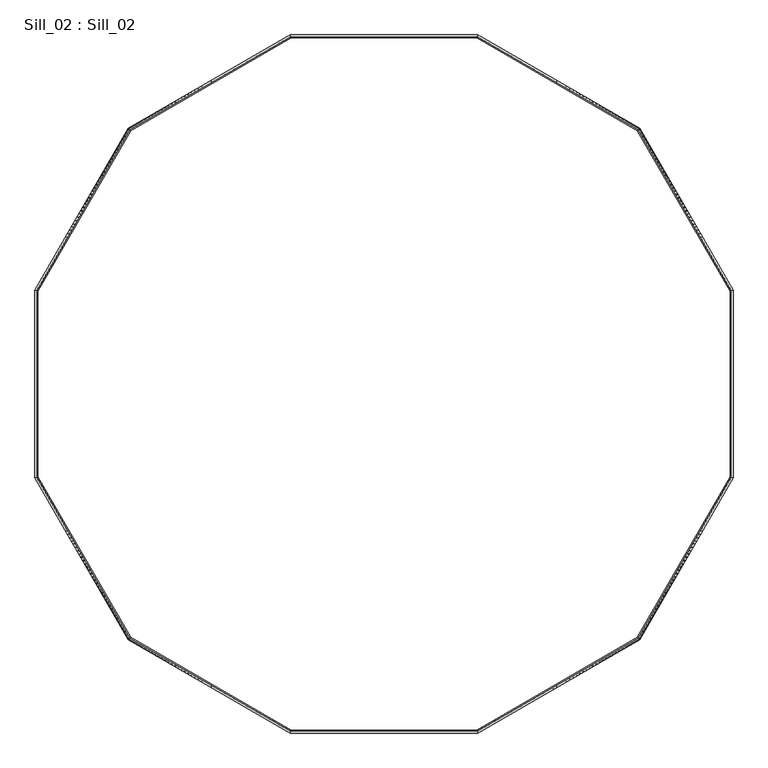
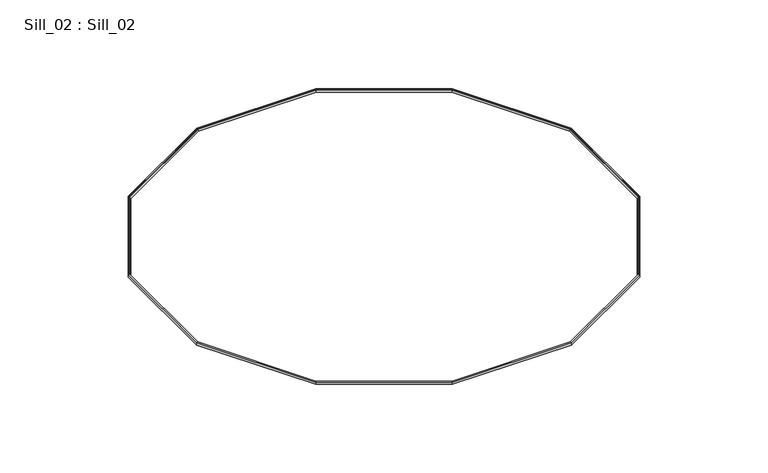
"""IFC4 building model written with IfcOpenShell, lengths in millimetres: proxy geometry, Sill_02 : Sill_02."""

import ifcopenshell
import ifcopenshell.guid

model = None  # the IFC model being written
_history = None  # IfcOwnerHistory: only IFC2X3 demands one
_inside = {}  # id of a spatial element -> (the spatial element, [elements in it])
_under = {}  # id of a project, library or spatial element -> (it, [spatial elements below it])
_declared = {}  # id of a project -> (the project, [libraries it declares])
_typed = {}  # id of a type object -> (the type object, [elements of that type])
_made_of = {}  # id of a material, layer set ... -> (it, [elements and type objects made of it])


def new_model(schema):
    """Start an empty IFC model of exactly this schema.

    Asked for "IFC4X3", IfcOpenShell would pick the latest addendum, in which some entities
    have other attributes; the version numbers below select the first issue.
    IFC2X3 requires an IfcOwnerHistory on every rooted entity: one is made here for all.
    """
    global model, _history
    if schema == "IFC4X3":
        model = ifcopenshell.file(schema_version=(4, 3, 0, 0))
    else:
        model = ifcopenshell.file(schema=schema)
    _inside.clear()
    _under.clear()
    _declared.clear()
    _typed.clear()
    _made_of.clear()
    _history = None
    if model.schema == "IFC2X3":
        org = make("IfcOrganization", Name="unknown")
        user = make(
            "IfcPersonAndOrganization",
            ThePerson=make("IfcPerson", FamilyName="unknown"),
            TheOrganization=org,
        )
        app = make(
            "IfcApplication",
            ApplicationDeveloper=org,
            Version="unknown",
            ApplicationFullName="unknown",
            ApplicationIdentifier="unknown",
        )
        _history = make(
            "IfcOwnerHistory",
            OwningUser=user,
            OwningApplication=app,
            ChangeAction="ADDED",
            CreationDate=0,
        )
    return model


def make(cls, **values):
    """One entity of the class cls with the attributes given. An attribute that is None is left unset."""
    return model.create_entity(
        cls, **{name: value for name, value in values.items() if value is not None}
    )


def rooted(cls, **values):
    """An entity with a GlobalId (a new one), such as an element, a storey or a relation."""
    return make(cls, GlobalId=ifcopenshell.guid.new(), OwnerHistory=_history, **values)


def si_unit(unit_type, name, prefix=None):
    """IfcSIUnit, for example si_unit("LENGTHUNIT", "METRE", prefix="MILLI")."""
    return make("IfcSIUnit", UnitType=unit_type, Prefix=prefix, Name=name)


def assignment(units):
    """IfcUnitAssignment: the units of a project."""
    return None if units is None else make("IfcUnitAssignment", Units=units)


def point(xyz):
    """IfcCartesianPoint."""
    return None if xyz is None else make("IfcCartesianPoint", Coordinates=xyz)


def direction(xyz):
    """IfcDirection."""
    return None if xyz is None else make("IfcDirection", DirectionRatios=xyz)


def frame(location, z_axis=None, x_axis=None):
    """IfcAxis2Placement3D, a coordinate frame: its origin and axes. An axis left out is left unset."""
    return make(
        "IfcAxis2Placement3D",
        Location=point(location),
        Axis=direction(z_axis),
        RefDirection=direction(x_axis),
    )


def origin():
    """The frame at (0, 0, 0) with its axes left unset."""
    return frame((0.0, 0.0, 0.0))


def place(relative_to, where):
    """IfcLocalPlacement: puts the frame where relative to a parent placement (None: the world)."""
    return make(
        "IfcLocalPlacement", PlacementRelTo=relative_to, RelativePlacement=where
    )


def context(
    kind, dimensions, precision=None, world=None, true_north=None, identifier=None
):
    """IfcGeometricRepresentationContext, for example the 3D "Model" context."""
    return make(
        "IfcGeometricRepresentationContext",
        ContextIdentifier=identifier,
        ContextType=kind,
        CoordinateSpaceDimension=dimensions,
        Precision=precision,
        WorldCoordinateSystem=world,
        TrueNorth=true_north,
    )


def project(units=None, contexts=None):
    """IfcProject with its units and contexts."""
    return rooted(
        "IfcProject",
        Name="project",
        RepresentationContexts=contexts,
        UnitsInContext=assignment(units),
    )


def spatial(cls, under=None, at=None, **own):
    """A site, building, storey or space (cls), placed at a placement, below another one or the project."""
    s = rooted(cls, ObjectPlacement=at, **own)
    if under is not None:
        _under.setdefault(under.id(), (under, []))[1].append(s)
    return s


def faces_of(points, faces, orient=None, outer=None):
    """IfcFace entities. A face is a list of loops; a loop is a list of indices into points, from 0.

    orient and outer hold one flag for each loop. By default every Orientation is true, the
    first loop of a face is its IfcFaceOuterBound and the others are IfcFaceBound.
    """
    made = []
    for i, loops in enumerate(faces):
        bounds = []
        for j, loop in enumerate(loops):
            is_outer = j == 0 if outer is None else outer[i][j]
            bounds.append(
                make(
                    "IfcFaceOuterBound" if is_outer else "IfcFaceBound",
                    Bound=make("IfcPolyLoop", Polygon=[points[k] for k in loop]),
                    Orientation=True if orient is None else orient[i][j],
                )
            )
        made.append(make("IfcFace", Bounds=bounds))
    return made


def faceted_brep(points, faces, orient=None, outer=None, voids=None):
    """IfcFacetedBrep: a solid bounded by flat faces; with voids (closed shells), ...WithVoids."""
    shared = [point(p) for p in points]
    hull = make("IfcClosedShell", CfsFaces=faces_of(shared, faces, orient, outer))
    if voids is None:
        return make("IfcFacetedBrep", Outer=hull)
    return make(
        "IfcFacetedBrepWithVoids",
        Outer=hull,
        Voids=[
            make(cls, CfsFaces=faces_of(shared, fs, o, b)) for cls, fs, o, b in voids
        ],
    )


def shape(context_of_items, identifier, shape_type, items):
    """IfcShapeRepresentation: the items that make up one representation, for example the "Body"."""
    return make(
        "IfcShapeRepresentation",
        ContextOfItems=context_of_items,
        RepresentationIdentifier=identifier,
        RepresentationType=shape_type,
        Items=items,
    )


def source(mapping_origin, context_of_items, identifier, shape_type, items):
    """IfcRepresentationMap: a shape defined once, which mapped items show again and again."""
    return make(
        "IfcRepresentationMap",
        MappingOrigin=mapping_origin,
        MappedRepresentation=shape(context_of_items, identifier, shape_type, items),
    )


def transform(
    local_origin,
    x_axis=None,
    y_axis=None,
    z_axis=None,
    scale=None,
    scale2=None,
    scale3=None,
    uniform=True,
):
    """IfcCartesianTransformationOperator3D, or its non-uniform kind. x_axis, y_axis, z_axis: its Axis1, 2, 3."""
    if uniform:
        return make(
            "IfcCartesianTransformationOperator3D",
            Axis1=direction(x_axis),
            Axis2=direction(y_axis),
            LocalOrigin=point(local_origin),
            Scale=scale,
            Axis3=direction(z_axis),
        )
    return make(
        "IfcCartesianTransformationOperator3DnonUniform",
        Axis1=direction(x_axis),
        Axis2=direction(y_axis),
        LocalOrigin=point(local_origin),
        Scale=scale,
        Axis3=direction(z_axis),
        Scale2=scale2,
        Scale3=scale3,
    )


def mapped(mapping_source, mapping_target):
    """IfcMappedItem: shows the shape of a source again, moved by a transform."""
    return make(
        "IfcMappedItem", MappingSource=mapping_source, MappingTarget=mapping_target
    )


def made_of(thing, what):
    """Note that an element or type object is made of a material, layer set ...; save() writes the relation."""
    if what is not None:
        _made_of.setdefault(what.id(), (what, []))[1].append(thing)
    return thing


def element(
    cls,
    number,
    at=None,
    inside=None,
    cuts=None,
    type_object=None,
    material=None,
    context=None,
    identifier="Body",
    shape_type=None,
    held_by="IfcProductDefinitionShape",
    body=None,
    shapes=None,
    **own,
):
    """One element of the class cls, such as IfcWall. Its Tag is "e" and its number.

    at: its placement. inside: the storey or other place that contains it. cuts: it is an
    opening in that element (IfcRelVoidsElement). A single representation is given by context,
    identifier, shape_type and body (its items); several are given by shapes. held_by: the class
    of the entity that holds the representations. save() writes the other relations.
    """
    e = rooted(cls, Tag="e%d" % number, ObjectPlacement=at, **own)
    if body is not None:
        shapes = [shape(context, identifier, shape_type, body)]
    if shapes is not None:
        e.Representation = make(held_by, Representations=shapes)
    if inside is not None:
        _inside.setdefault(inside.id(), (inside, []))[1].append(e)
    if cuts is not None:
        rooted(
            "IfcRelVoidsElement", RelatingBuildingElement=cuts, RelatedOpeningElement=e
        )
    if type_object is not None:
        _typed.setdefault(type_object.id(), (type_object, []))[1].append(e)
    return made_of(e, material)


def aggregate(whole, parts):
    """IfcRelAggregates: a whole, such as a stair, and the parts it consists of."""
    return rooted("IfcRelAggregates", RelatingObject=whole, RelatedObjects=parts)


def save(model, path):
    """Write the relations noted so far, then the file.

    IfcRelAggregates (storeys below a building ...), IfcRelContainedInSpatialStructure (elements
    in a storey), IfcRelDefinesByType, IfcRelAssociatesMaterial and IfcRelDeclares: one each for
    every whole, place, type object, material and project.
    """
    for whole, parts in _under.values():
        aggregate(whole, parts)
    for where, things in _inside.values():
        rooted(
            "IfcRelContainedInSpatialStructure",
            RelatedElements=things,
            RelatingStructure=where,
        )
    for kind, things in _typed.values():
        rooted("IfcRelDefinesByType", RelatedObjects=things, RelatingType=kind)
    for what, things in _made_of.values():
        rooted("IfcRelAssociatesMaterial", RelatedObjects=things, RelatingMaterial=what)
    for by, libraries in _declared.values():
        rooted("IfcRelDeclares", RelatingContext=by, RelatedDefinitions=libraries)
    model.write(path)


def sill_02_sill_02_c7913fb1(model_context):
    return source(origin(), model_context, "Body", "Brep", [
        faceted_brep([(9762.5262702, 10756.5518391, -2.4637485), (9762.5262702, 10756.5518391, -107.5866884), (5390.6123428, 8232.4261563, -107.5866884), (5390.6123428, 8232.4261563, -2.4637485), (9774.4834006, 10711.9272208, 14.0246943), (5423.2798307, 8199.7586684, 14.0246943), (9775.5592305, 10707.9121688, 1.9760696), (5426.2190527, 8196.8194464, 1.9760696), (9767.4881824, 10738.0337307, -8.0615603), (5404.168539, 8218.86996, -8.0615603), (9770.2661406, 10727.6662494, -39.1729611), (5411.758062, 8211.280437, -39.1729611), (9777.5297931, 10700.5579293, -30.1394559), (5431.6027297, 8191.4357694, -30.1394559), (9783.0529386, 10679.9452696, -91.9952435), (5446.6922439, 8176.3462552, -91.9952435), (9770.5161841, 10726.7330745, -107.5866884), (5412.4411935, 8210.5973056, -107.5866884), (2866.4866599, 3860.5122289, -107.5866884), (2866.4866599, 3860.5122289, -2.4637485), (2911.1112782, 3848.5550984, 14.0246943), (2915.1263302, 3847.4792685, 1.9760696), (2885.0047684, 3855.5503167, -8.0615603), (2895.3722496, 3852.7723584, -39.1729611), (2922.4805697, 3845.508706, -30.1394559), (2943.0932295, 3839.9855604, -91.9952435), (2896.3054245, 3852.522315, -107.5866884), (2866.4866599, -1187.7391368, -107.5866884), (2866.4866599, -1187.7391368, -2.4637485), (2911.1112782, -1175.7820064, 14.0246943), (2915.1263302, -1174.7061765, 1.9760696), (2885.0047684, -1182.7772246, -8.0615603), (2895.3722496, -1179.9992664, -39.1729611), (2922.4805697, -1172.7356139, -30.1394559), (2943.0932295, -1167.2124684, -91.9952435), (2896.3054245, -1179.7492229, -107.5866884), (5390.6123428, -5559.6530642, -107.5866884), (5390.6123428, -5559.6530642, -2.4637485), (5423.2798307, -5526.9855763, 14.0246943), (5426.2190527, -5524.0463543, 1.9760696), (5404.168539, -5546.096868, -8.0615603), (5411.758062, -5538.5073449, -39.1729611), (5431.6027297, -5518.6626773, -30.1394559), (5446.6922439, -5503.5731631, -91.9952435), (5412.4411935, -5537.8242135, -107.5866884), (9762.5262702, -8083.778747, -107.5866884), (9762.5262702, -8083.778747, -2.4637485), (9774.4834006, -8039.1541287, 14.0246943), (9775.5592305, -8035.1390768, 1.9760696), (9767.4881824, -8065.2606386, -8.0615603), (9770.2661406, -8054.8931574, -39.1729611), (9777.5297931, -8027.7848372, -30.1394559), (9783.0529386, -8007.1721775, -91.9952435), (9770.5161841, -8053.9599825, -107.5866884), (14810.7776359, -8083.778747, -107.5866884), (14810.7776359, -8083.778747, -2.4637485), (14798.8205054, -8039.1541287, 14.0246943), (14797.7446755, -8035.1390768, 1.9760696), (14805.8157237, -8065.2606386, -8.0615603), (14803.0377654, -8054.8931574, -39.1729611), (14795.774113, -8027.7848372, -30.1394559), (14790.2509674, -8007.1721775, -91.9952435), (14802.787722, -8053.9599825, -107.5866884), (19182.6915632, -5559.6530642, -107.5866884), (19182.6915632, -5559.6530642, -2.4637485), (19150.0240754, -5526.9855763, 14.0246943), (19147.0848533, -5524.0463543, 1.9760696), (19169.135367, -5546.096868, -8.0615603), (19161.545844, -5538.5073449, -39.1729611), (19141.7011764, -5518.6626773, -30.1394559), (19126.6116622, -5503.5731631, -91.9952435), (19160.8627125, -5537.8242135, -107.5866884), (21706.8172461, -1187.7391368, -107.5866884), (21706.8172461, -1187.7391368, -2.4637485), (21662.1926278, -1175.7820064, 14.0246943), (21658.1775758, -1174.7061765, 1.9760696), (21688.2991376, -1182.7772246, -8.0615603), (21677.9316564, -1179.9992664, -39.1729611), (21650.8233363, -1172.7356139, -30.1394559), (21630.2106766, -1167.2124684, -91.9952435), (21676.9984815, -1179.7492229, -107.5866884), (21706.8172461, 3860.5122289, -107.5866884), (21706.8172461, 3860.5122289, -2.4637485), (21662.1926278, 3848.5550984, 14.0246943), (21658.1775758, 3847.4792685, 1.9760696), (21688.2991376, 3855.5503167, -8.0615603), (21677.9316564, 3852.7723584, -39.1729611), (21650.8233363, 3845.508706, -30.1394559), (21630.2106766, 3839.9855604, -91.9952435), (21676.9984815, 3852.522315, -107.5866884), (19182.6915632, 8232.4261563, -107.5866884), (19182.6915632, 8232.4261563, -2.4637485), (19150.0240754, 8199.7586684, 14.0246943), (19147.0848533, 8196.8194464, 1.9760696), (19169.135367, 8218.86996, -8.0615603), (19161.545844, 8211.280437, -39.1729611), (19141.7011764, 8191.4357694, -30.1394559), (19126.6116622, 8176.3462552, -91.9952435), (19160.8627125, 8210.5973056, -107.5866884), (14810.7776359, 10756.5518391, -107.5866884), (14810.7776359, 10756.5518391, -2.4637485), (14798.8205054, 10711.9272208, 14.0246943), (14797.7446755, 10707.9121688, 1.9760696), (14805.8157237, 10738.0337307, -8.0615603), (14803.0377654, 10727.6662494, -39.1729611), (14795.774113, 10700.5579293, -30.1394559), (14790.2509674, 10679.9452696, -91.9952435), (14802.787722, 10726.7330745, -107.5866884)], [[[0, 1, 2, 3]], [[4, 0, 3, 5]], [[6, 4, 5, 7]], [[8, 6, 7, 9]], [[10, 8, 9, 11]], [[12, 10, 11, 13]], [[14, 12, 13, 15]], [[16, 14, 15, 17]], [[3, 2, 18, 19]], [[5, 3, 19, 20]], [[7, 5, 20, 21]], [[9, 7, 21, 22]], [[11, 9, 22, 23]], [[13, 11, 23, 24]], [[15, 13, 24, 25]], [[17, 15, 25, 26]], [[19, 18, 27, 28]], [[20, 19, 28, 29]], [[21, 20, 29, 30]], [[22, 21, 30, 31]], [[23, 22, 31, 32]], [[24, 23, 32, 33]], [[25, 24, 33, 34]], [[26, 25, 34, 35]], [[28, 27, 36, 37]], [[29, 28, 37, 38]], [[30, 29, 38, 39]], [[31, 30, 39, 40]], [[32, 31, 40, 41]], [[33, 32, 41, 42]], [[34, 33, 42, 43]], [[35, 34, 43, 44]], [[37, 36, 45, 46]], [[38, 37, 46, 47]], [[39, 38, 47, 48]], [[40, 39, 48, 49]], [[41, 40, 49, 50]], [[42, 41, 50, 51]], [[43, 42, 51, 52]], [[44, 43, 52, 53]], [[46, 45, 54, 55]], [[47, 46, 55, 56]], [[48, 47, 56, 57]], [[49, 48, 57, 58]], [[50, 49, 58, 59]], [[51, 50, 59, 60]], [[52, 51, 60, 61]], [[53, 52, 61, 62]], [[55, 54, 63, 64]], [[56, 55, 64, 65]], [[57, 56, 65, 66]], [[58, 57, 66, 67]], [[59, 58, 67, 68]], [[60, 59, 68, 69]], [[61, 60, 69, 70]], [[62, 61, 70, 71]], [[64, 63, 72, 73]], [[65, 64, 73, 74]], [[66, 65, 74, 75]], [[67, 66, 75, 76]], [[68, 67, 76, 77]], [[69, 68, 77, 78]], [[70, 69, 78, 79]], [[71, 70, 79, 80]], [[73, 72, 81, 82]], [[74, 73, 82, 83]], [[75, 74, 83, 84]], [[76, 75, 84, 85]], [[77, 76, 85, 86]], [[78, 77, 86, 87]], [[79, 78, 87, 88]], [[80, 79, 88, 89]], [[82, 81, 90, 91]], [[83, 82, 91, 92]], [[84, 83, 92, 93]], [[85, 84, 93, 94]], [[86, 85, 94, 95]], [[87, 86, 95, 96]], [[88, 87, 96, 97]], [[89, 88, 97, 98]], [[91, 90, 99, 100]], [[92, 91, 100, 101]], [[93, 92, 101, 102]], [[94, 93, 102, 103]], [[95, 94, 103, 104]], [[96, 95, 104, 105]], [[97, 96, 105, 106]], [[98, 97, 106, 107]], [[100, 99, 1, 0]], [[101, 100, 0, 4]], [[102, 101, 4, 6]], [[103, 102, 6, 8]], [[104, 103, 8, 10]], [[105, 104, 10, 12]], [[106, 105, 12, 14]], [[107, 106, 14, 16]], [[1, 99, 90, 81, 72, 63, 54, 45, 36, 27, 18, 2], [89, 98, 107, 16, 17, 26, 35, 44, 53, 62, 71, 80]]]),
    ])


if __name__ == "__main__":
    model = new_model("IFC4")
    model_context = context("Model", 3, world=origin())
    ifc_project = project(units=[si_unit("LENGTHUNIT", "METRE", prefix="MILLI")], contexts=[model_context])
    site = spatial("IfcSite", under=ifc_project)
    building = spatial("IfcBuilding", under=site)
    placement = place(None, origin())
    sill_02_sill_02_shape = sill_02_sill_02_c7913fb1(model_context)
    element("IfcBuildingElementProxy", 1, Name="Sill_02 : Sill_02", ObjectType="Sill_02 : Sill_02", at=placement, inside=building, context=model_context, shape_type="MappedRepresentation", body=[
        mapped(sill_02_sill_02_shape, transform((0.0, 0.0, 0.0), x_axis=(1.0, 0.0, 0.0), y_axis=(0.0, 1.0, 0.0), z_axis=(0.0, 0.0, 1.0))),
    ])
    save(model, "model.ifc")
